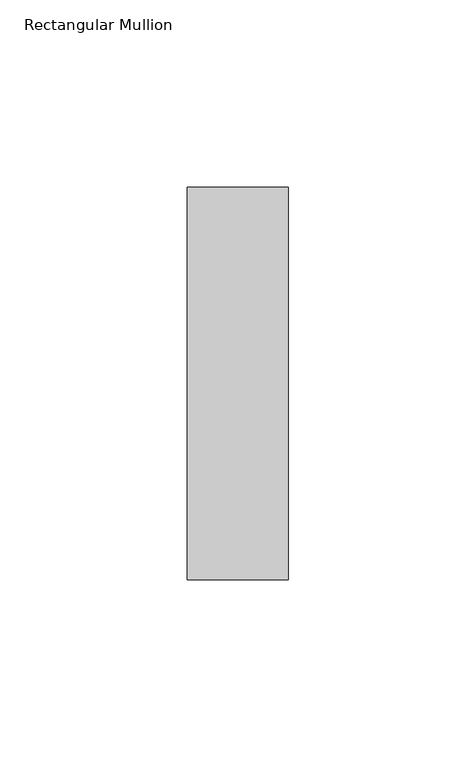
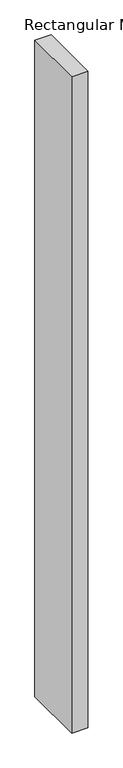
"""IFC4 building model written with IfcOpenShell, lengths in millimetres: member geometry, Rectangular Mullion."""

from ifc_helpers import new_model, si_unit, frame, origin, place, context, project, spatial, polyline, outline, extrude, source, transform, mapped, element, save


def rectangular_mullion_8dd4e43f(model_context):
    return source(origin(), model_context, "Body", "SweptSolid", [
        extrude(outline(polyline([(-27.0, 52.3975), (0.0, 52.3975), (0.0, -52.3975), (-27.0, -52.3975), (-27.0, 52.3975)])), frame((0.0, 0.0, -1146.0), z_axis=(0.0, 0.0, 1.0), x_axis=(1.0, 0.0, 0.0)), (0.0, 0.0, 1.0), 1146.0),
    ])


if __name__ == "__main__":
    model = new_model("IFC4")
    model_context = context("Model", 3, world=origin())
    ifc_project = project(units=[si_unit("LENGTHUNIT", "METRE", prefix="MILLI")], contexts=[model_context])
    site = spatial("IfcSite", under=ifc_project)
    building = spatial("IfcBuilding", under=site)
    placement = place(None, origin())
    rectangular_mullion_shape = rectangular_mullion_8dd4e43f(model_context)
    element("IfcMember", 1, ObjectType="Rectangular Mullion", at=placement, inside=building, context=model_context, shape_type="MappedRepresentation", body=[
        mapped(rectangular_mullion_shape, transform((0.0, 0.0, 0.0), x_axis=(1.0, 0.0, 0.0), y_axis=(0.0, 1.0, 0.0), z_axis=(0.0, 0.0, 1.0))),
    ])
    save(model, "model.ifc")
